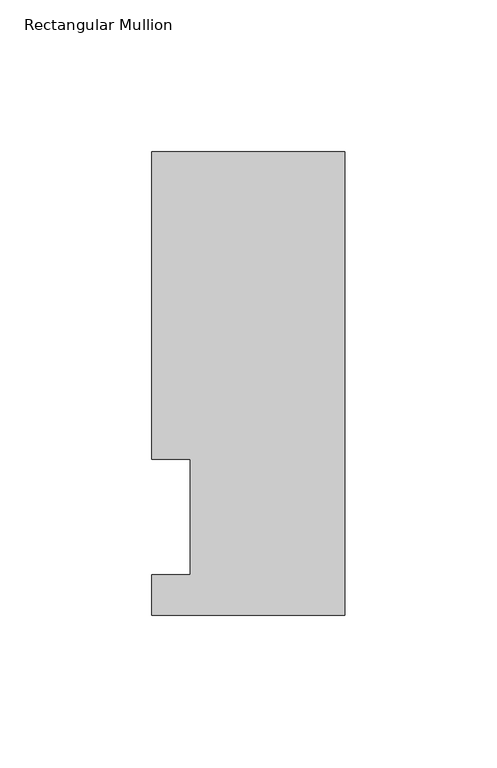
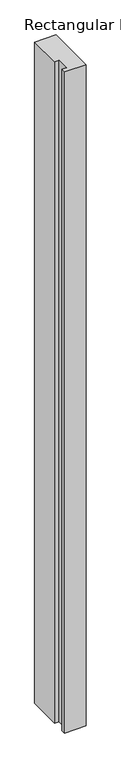
"""IFC4 building model written with IfcOpenShell, lengths in millimetres: member geometry, Rectangular Mullion."""

import ifcopenshell
import ifcopenshell.guid

model = None  # the IFC model being written
_history = None  # IfcOwnerHistory: only IFC2X3 demands one
_inside = {}  # id of a spatial element -> (the spatial element, [elements in it])
_under = {}  # id of a project, library or spatial element -> (it, [spatial elements below it])
_declared = {}  # id of a project -> (the project, [libraries it declares])
_typed = {}  # id of a type object -> (the type object, [elements of that type])
_made_of = {}  # id of a material, layer set ... -> (it, [elements and type objects made of it])


def new_model(schema):
    """Start an empty IFC model of exactly this schema.

    Asked for "IFC4X3", IfcOpenShell would pick the latest addendum, in which some entities
    have other attributes; the version numbers below select the first issue.
    IFC2X3 requires an IfcOwnerHistory on every rooted entity: one is made here for all.
    """
    global model, _history
    if schema == "IFC4X3":
        model = ifcopenshell.file(schema_version=(4, 3, 0, 0))
    else:
        model = ifcopenshell.file(schema=schema)
    _inside.clear()
    _under.clear()
    _declared.clear()
    _typed.clear()
    _made_of.clear()
    _history = None
    if model.schema == "IFC2X3":
        org = make("IfcOrganization", Name="unknown")
        user = make(
            "IfcPersonAndOrganization",
            ThePerson=make("IfcPerson", FamilyName="unknown"),
            TheOrganization=org,
        )
        app = make(
            "IfcApplication",
            ApplicationDeveloper=org,
            Version="unknown",
            ApplicationFullName="unknown",
            ApplicationIdentifier="unknown",
        )
        _history = make(
            "IfcOwnerHistory",
            OwningUser=user,
            OwningApplication=app,
            ChangeAction="ADDED",
            CreationDate=0,
        )
    return model


def make(cls, **values):
    """One entity of the class cls with the attributes given. An attribute that is None is left unset."""
    return model.create_entity(
        cls, **{name: value for name, value in values.items() if value is not None}
    )


def rooted(cls, **values):
    """An entity with a GlobalId (a new one), such as an element, a storey or a relation."""
    return make(cls, GlobalId=ifcopenshell.guid.new(), OwnerHistory=_history, **values)


def si_unit(unit_type, name, prefix=None):
    """IfcSIUnit, for example si_unit("LENGTHUNIT", "METRE", prefix="MILLI")."""
    return make("IfcSIUnit", UnitType=unit_type, Prefix=prefix, Name=name)


def assignment(units):
    """IfcUnitAssignment: the units of a project."""
    return None if units is None else make("IfcUnitAssignment", Units=units)


def point(xyz):
    """IfcCartesianPoint."""
    return None if xyz is None else make("IfcCartesianPoint", Coordinates=xyz)


def direction(xyz):
    """IfcDirection."""
    return None if xyz is None else make("IfcDirection", DirectionRatios=xyz)


def frame(location, z_axis=None, x_axis=None):
    """IfcAxis2Placement3D, a coordinate frame: its origin and axes. An axis left out is left unset."""
    return make(
        "IfcAxis2Placement3D",
        Location=point(location),
        Axis=direction(z_axis),
        RefDirection=direction(x_axis),
    )


def origin():
    """The frame at (0, 0, 0) with its axes left unset."""
    return frame((0.0, 0.0, 0.0))


def place(relative_to, where):
    """IfcLocalPlacement: puts the frame where relative to a parent placement (None: the world)."""
    return make(
        "IfcLocalPlacement", PlacementRelTo=relative_to, RelativePlacement=where
    )


def context(
    kind, dimensions, precision=None, world=None, true_north=None, identifier=None
):
    """IfcGeometricRepresentationContext, for example the 3D "Model" context."""
    return make(
        "IfcGeometricRepresentationContext",
        ContextIdentifier=identifier,
        ContextType=kind,
        CoordinateSpaceDimension=dimensions,
        Precision=precision,
        WorldCoordinateSystem=world,
        TrueNorth=true_north,
    )


def project(units=None, contexts=None):
    """IfcProject with its units and contexts."""
    return rooted(
        "IfcProject",
        Name="project",
        RepresentationContexts=contexts,
        UnitsInContext=assignment(units),
    )


def spatial(cls, under=None, at=None, **own):
    """A site, building, storey or space (cls), placed at a placement, below another one or the project."""
    s = rooted(cls, ObjectPlacement=at, **own)
    if under is not None:
        _under.setdefault(under.id(), (under, []))[1].append(s)
    return s


def polyline(points):
    """IfcPolyline through the points."""
    return make("IfcPolyline", Points=[point(p) for p in points])


def outline(outer, holes=None, kind="AREA"):
    """IfcArbitraryClosedProfileDef: a profile drawn as a closed curve; with holes, ...WithVoids."""
    if holes is None:
        return make("IfcArbitraryClosedProfileDef", ProfileType=kind, OuterCurve=outer)
    return make(
        "IfcArbitraryProfileDefWithVoids",
        ProfileType=kind,
        OuterCurve=outer,
        InnerCurves=holes,
    )


def extrude(swept, where, along, depth):
    """IfcExtrudedAreaSolid: the profile swept, set in the frame where, extruded along a direction by depth."""
    return make(
        "IfcExtrudedAreaSolid",
        SweptArea=swept,
        Position=where,
        ExtrudedDirection=direction(along),
        Depth=depth,
    )


def shape(context_of_items, identifier, shape_type, items):
    """IfcShapeRepresentation: the items that make up one representation, for example the "Body"."""
    return make(
        "IfcShapeRepresentation",
        ContextOfItems=context_of_items,
        RepresentationIdentifier=identifier,
        RepresentationType=shape_type,
        Items=items,
    )


def source(mapping_origin, context_of_items, identifier, shape_type, items):
    """IfcRepresentationMap: a shape defined once, which mapped items show again and again."""
    return make(
        "IfcRepresentationMap",
        MappingOrigin=mapping_origin,
        MappedRepresentation=shape(context_of_items, identifier, shape_type, items),
    )


def transform(
    local_origin,
    x_axis=None,
    y_axis=None,
    z_axis=None,
    scale=None,
    scale2=None,
    scale3=None,
    uniform=True,
):
    """IfcCartesianTransformationOperator3D, or its non-uniform kind. x_axis, y_axis, z_axis: its Axis1, 2, 3."""
    if uniform:
        return make(
            "IfcCartesianTransformationOperator3D",
            Axis1=direction(x_axis),
            Axis2=direction(y_axis),
            LocalOrigin=point(local_origin),
            Scale=scale,
            Axis3=direction(z_axis),
        )
    return make(
        "IfcCartesianTransformationOperator3DnonUniform",
        Axis1=direction(x_axis),
        Axis2=direction(y_axis),
        LocalOrigin=point(local_origin),
        Scale=scale,
        Axis3=direction(z_axis),
        Scale2=scale2,
        Scale3=scale3,
    )


def mapped(mapping_source, mapping_target):
    """IfcMappedItem: shows the shape of a source again, moved by a transform."""
    return make(
        "IfcMappedItem", MappingSource=mapping_source, MappingTarget=mapping_target
    )


def made_of(thing, what):
    """Note that an element or type object is made of a material, layer set ...; save() writes the relation."""
    if what is not None:
        _made_of.setdefault(what.id(), (what, []))[1].append(thing)
    return thing


def element(
    cls,
    number,
    at=None,
    inside=None,
    cuts=None,
    type_object=None,
    material=None,
    context=None,
    identifier="Body",
    shape_type=None,
    held_by="IfcProductDefinitionShape",
    body=None,
    shapes=None,
    **own,
):
    """One element of the class cls, such as IfcWall. Its Tag is "e" and its number.

    at: its placement. inside: the storey or other place that contains it. cuts: it is an
    opening in that element (IfcRelVoidsElement). A single representation is given by context,
    identifier, shape_type and body (its items); several are given by shapes. held_by: the class
    of the entity that holds the representations. save() writes the other relations.
    """
    e = rooted(cls, Tag="e%d" % number, ObjectPlacement=at, **own)
    if body is not None:
        shapes = [shape(context, identifier, shape_type, body)]
    if shapes is not None:
        e.Representation = make(held_by, Representations=shapes)
    if inside is not None:
        _inside.setdefault(inside.id(), (inside, []))[1].append(e)
    if cuts is not None:
        rooted(
            "IfcRelVoidsElement", RelatingBuildingElement=cuts, RelatedOpeningElement=e
        )
    if type_object is not None:
        _typed.setdefault(type_object.id(), (type_object, []))[1].append(e)
    return made_of(e, material)


def aggregate(whole, parts):
    """IfcRelAggregates: a whole, such as a stair, and the parts it consists of."""
    return rooted("IfcRelAggregates", RelatingObject=whole, RelatedObjects=parts)


def save(model, path):
    """Write the relations noted so far, then the file.

    IfcRelAggregates (storeys below a building ...), IfcRelContainedInSpatialStructure (elements
    in a storey), IfcRelDefinesByType, IfcRelAssociatesMaterial and IfcRelDeclares: one each for
    every whole, place, type object, material and project.
    """
    for whole, parts in _under.values():
        aggregate(whole, parts)
    for where, things in _inside.values():
        rooted(
            "IfcRelContainedInSpatialStructure",
            RelatedElements=things,
            RelatingStructure=where,
        )
    for kind, things in _typed.values():
        rooted("IfcRelDefinesByType", RelatedObjects=things, RelatingType=kind)
    for what, things in _made_of.values():
        rooted("IfcRelAssociatesMaterial", RelatedObjects=things, RelatingMaterial=what)
    for by, libraries in _declared.values():
        rooted("IfcRelDeclares", RelatingContext=by, RelatedDefinitions=libraries)
    model.write(path)


def rectangular_mullion_8aacb4af(model_context):
    return source(origin(), model_context, "Body", "SweptSolid", [
        extrude(outline(polyline([(31.75, 152.4896938), (31.75, 0.0134938), (-31.75, 0.0134938), (-31.75, 13.1960938), (-19.05, 13.1960938), (-19.05, 51.2960938), (-31.75, 51.2960938), (-31.75, 152.4896938), (31.75, 152.4896938)])), frame((0.0, 0.0, -2057.4), z_axis=(0.0, 0.0, 1.0), x_axis=(1.0, 0.0, 0.0)), (0.0, 0.0, 1.0), 2057.4),
    ])


if __name__ == "__main__":
    model = new_model("IFC4")
    model_context = context("Model", 3, world=origin())
    ifc_project = project(units=[si_unit("LENGTHUNIT", "METRE", prefix="MILLI")], contexts=[model_context])
    site = spatial("IfcSite", under=ifc_project)
    building = spatial("IfcBuilding", under=site)
    placement = place(None, origin())
    rectangular_mullion_shape = rectangular_mullion_8aacb4af(model_context)
    element("IfcMember", 1, ObjectType="Rectangular Mullion", at=placement, inside=building, context=model_context, shape_type="MappedRepresentation", body=[
        mapped(rectangular_mullion_shape, transform((0.0, 0.0, 0.0), x_axis=(1.0, 0.0, 0.0), y_axis=(0.0, 1.0, 0.0), z_axis=(0.0, 0.0, 1.0))),
    ])
    save(model, "model.ifc")
